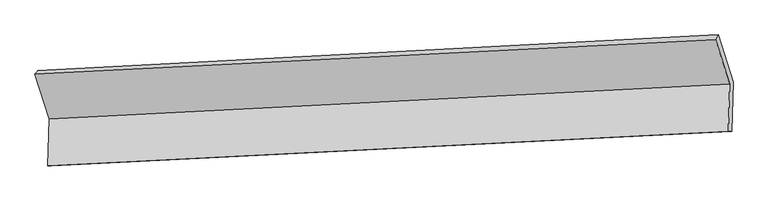
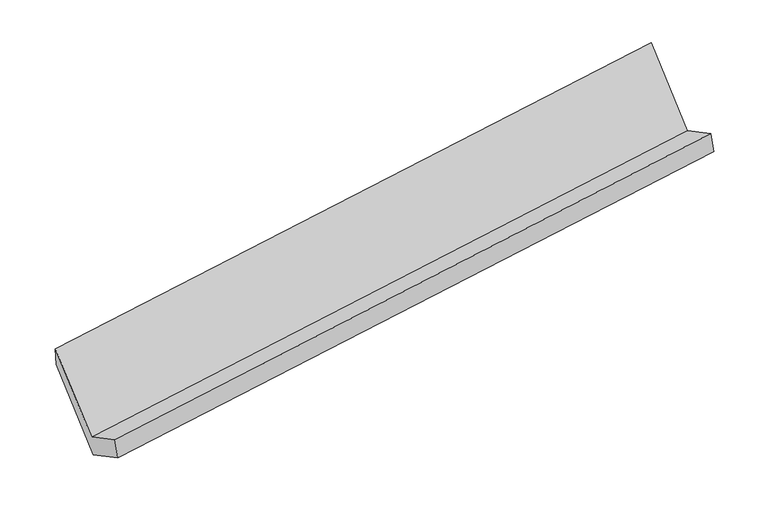
"""IFC4 building model written with IfcOpenShell, lengths in millimetres: proxy geometry."""

from ifc_helpers import new_model, si_unit, frame, origin, place, context, project, spatial, source, transform, mapped, element, save
from ifc_brep_helpers import plane_surface, spline_surface, advanced_brep


def generic_models_ac097e05(model_context):
    return source(origin(), model_context, "Body", "AdvancedBrep", [
        advanced_brep(
        [(-5237.7586115, -1629.3424352, 1399.0978549), (-5247.6626593, -1963.7239756, 1581.6366013), (-442.7301647, -1719.5410463, 2289.6426984), (-432.8261168, -1385.1595059, 2107.103952), (-5224.4907603, -1963.0073025, 1424.1317289), (-419.5582656, -1718.8243732, 2132.137826), (-5214.1197395, -1612.8597716, 1232.9863346), (-409.1872449, -1368.6768422, 1940.9924317), (-5317.1482945, -1289.0706512, 1820.5257322), (-515.2517795, -1035.3465109, 2545.8450648), (-5338.2150101, -1313.6368626, 1971.9690549), (-533.2825154, -1069.4539332, 2679.975152)],
        [
            (0, 1),
            (1, 2),
            (2, 3),
            (3, 0),
            (1, 4),
            (4, 5),
            (5, 2),
            (4, 6),
            (6, 7),
            (7, 5),
            (6, 8),
            (8, 9),
            (9, 7),
            (8, 10),
            (10, 11),
            (11, 9),
            (10, 0),
            (3, 11),
        ],
        [
            plane_surface(frame((-5242.7106354, -1796.5332054, 1490.3672281), z_axis=(-0.15179898072218467, 0.4770605436578185, 0.8656617740992222), x_axis=(-0.025988745193448726, -0.8774348404511004, 0.47899132130532607))),
            plane_surface(frame((-5236.0767098, -1963.3656391, 1502.8841651), z_axis=(0.05033309673860803, -0.9987283897969694, 0.002860556983302045), x_axis=(0.14555042012206934, 0.004501662592413474, -0.9893405936461888))),
            plane_surface(frame((-5219.3052499, -1787.9335371, 1328.5590317), z_axis=(0.1517989807221815, -0.4770605436578224, -0.8656617740992205), x_axis=(0.025988745193471597, 0.8774348404510994, -0.47899132130532646))),
            plane_surface(frame((-5265.634017, -1450.9652114, 1526.7560334), z_axis=(0.02598874519346958, 0.8774348404511025, -0.47899132130532085), x_axis=(-0.15179898072217904, 0.4770605436578167, 0.865661774099224))),
            spline_surface(1, 1, [[(-5317.1482945, -1289.0706512, 1820.5257322), (-515.2517795, -1035.3465109, 2545.8450648)], [(-5338.2150101, -1313.6368626, 1971.9690549), (-533.2825154, -1069.4539332, 2679.975152)]], [2, 2], [2, 2], [0.0, 1.0], [0.0, 1.0]),
            plane_surface(frame((-5287.9868108, -1471.4896489, 1685.5334549), z_axis=(-0.025988745193471705, -0.8774348404510983, 0.4789913213053285), x_axis=(0.1517989807221792, -0.4770605436578245, -0.8656617740992196))),
            plane_surface(frame((-458.8060145, -1382.8337019, 2282.6161875), z_axis=(0.9880696607906632, 0.050212931078120554, 0.14559191934158963), x_axis=(-0.12918935706703913, -0.24437804164140928, 0.9610356303405794))),
            plane_surface(frame((-5263.2325125, -1628.6068331, 1571.7245511), z_axis=(-0.9880696607906629, -0.05021293107811044, -0.14559191934159516), x_axis=(-0.1517989807221792, 0.4770605436578245, 0.8656617740992196))),
        ],
        [
            (0, [[1, 2, 3, 4]]),
            (1, [[5, 6, 7, -2]]),
            (2, [[8, 9, 10, -6]]),
            (3, [[11, 12, 13, -9]]),
            (4, [[14, 15, 16, -12]]),
            (5, [[17, -4, 18, -15]]),
            (6, [[-16, -18, -3, -7, -10, -13]]),
            (7, [[-17, -14, -11, -8, -5, -1]]),
        ],
    ),
    ])


if __name__ == "__main__":
    model = new_model("IFC4")
    model_context = context("Model", 3, world=origin())
    ifc_project = project(units=[si_unit("LENGTHUNIT", "METRE", prefix="MILLI")], contexts=[model_context])
    site = spatial("IfcSite", under=ifc_project)
    building = spatial("IfcBuilding", under=site)
    placement = place(None, origin())
    generic_models_shape = generic_models_ac097e05(model_context)
    element("IfcBuildingElementProxy", 1, Name="Generic Models", at=placement, inside=building, context=model_context, shape_type="MappedRepresentation", body=[
        mapped(generic_models_shape, transform((0.0, 0.0, 0.0), x_axis=(1.0, 0.0, 0.0), y_axis=(0.0, 1.0, 0.0), z_axis=(0.0, 0.0, 1.0))),
    ])
    save(model, "model.ifc")
